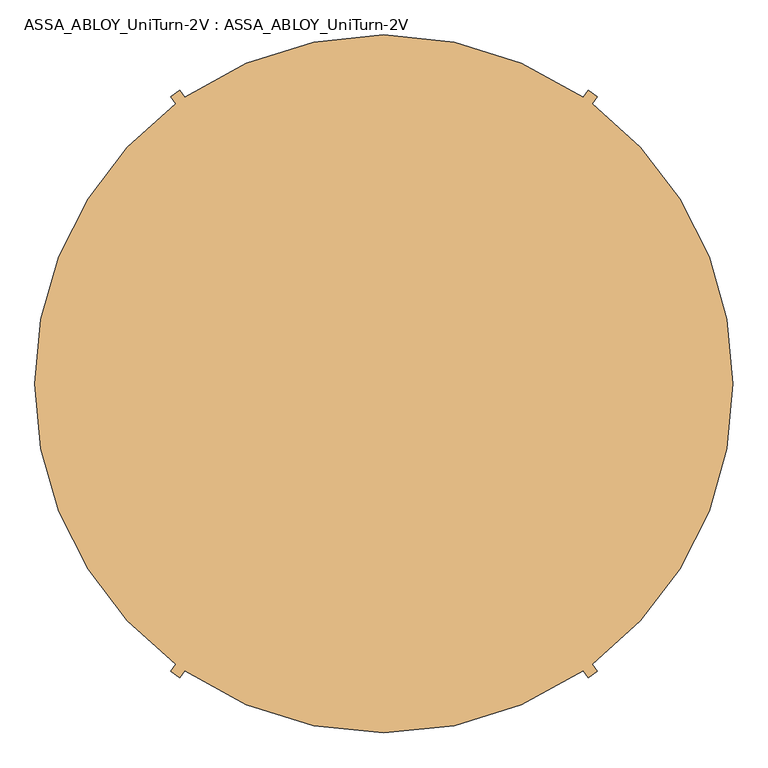
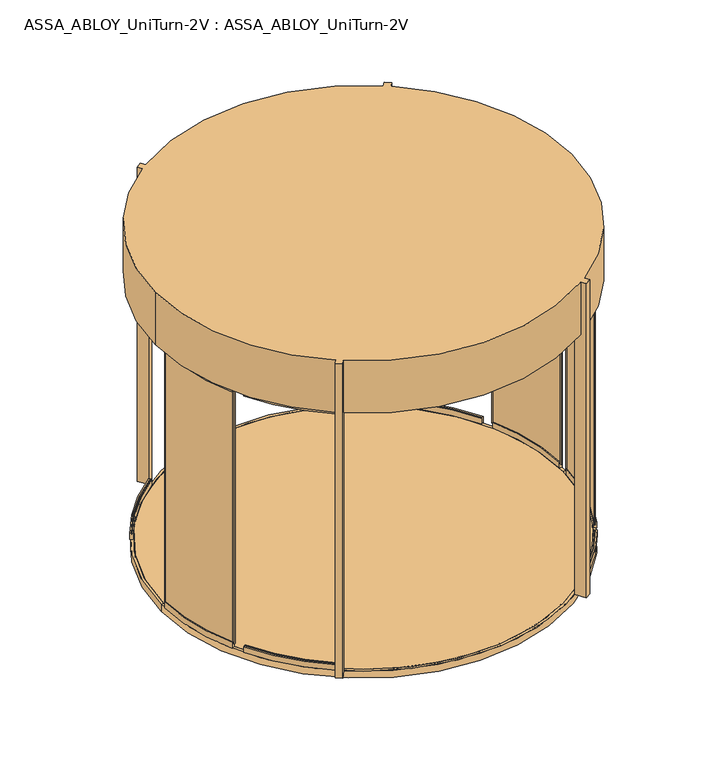
"""IFC4 building model written with IfcOpenShell, lengths in millimetres: door geometry, ASSA_ABLOY_UniTurn-2V : ASSA_ABLOY_UniTurn-2V."""

from ifc_helpers import new_model, si_unit, point, frame, frame_2d, origin, place, context, project, spatial, polyline, circle_curve, trimmed, segment, composite_curve, outline, extrude, source, transform, mapped, element, save
from ifc_brep_helpers import plane_surface, cylinder_surface, revolved_surface, advanced_brep


def assa_abloy_uniturn_2v_assa_abloy_uniturn_2v_550df79c(model_context):
    return source(origin(), model_context, "Body", "SolidModel", [
        extrude(outline(composite_curve([segment(trimmed(circle_curve(frame_2d((125.0, 0.0)), 1800.0), [point((-1675.0, 0.0))], [point((1925.0, 0.0))], False, "CARTESIAN"), True, "CONTINUOUS"), segment(trimmed(circle_curve(frame_2d((125.0, 0.0)), 1800.0), [point((1925.0, 0.0))], [point((-1675.0, 0.0))], False, "CARTESIAN"), True, "CONTINUOUS")], self_intersect=False)), frame((0.0, 0.0, -23.0), z_axis=(0.0, 0.0, 1.0), x_axis=(1.0, 0.0, 0.0)), (0.0, 0.0, 1.0), 23.0),
        advanced_brep(
        [(1951.0, 0.0, -65.0), (-1701.0, 0.0, -65.0), (-1701.0, 0.0, 0.0), (1951.0, 0.0, 0.0), (125.0, 0.0, -65.0), (1925.0, 0.0, -23.0), (-1675.0, 0.0, -23.0), (125.0, 0.0, -23.0), (1925.0, 0.0, 0.0), (-1675.0, 0.0, 0.0)],
        [
            (0, 1, circle_curve(frame((125.0, 0.0, -65.0), z_axis=(0.0, 0.0, 1.0), x_axis=(-1.0, 0.0, 0.0)), 1826.0)),
            (1, 2),
            (2, 3, circle_curve(frame((125.0, 0.0, 0.0), z_axis=(0.0, 0.0, -1.0), x_axis=(-1.0, 0.0, 0.0)), 1826.0)),
            (3, 0),
            (1, 0, circle_curve(frame((125.0, 0.0, -65.0), z_axis=(0.0, 0.0, 1.0), x_axis=(-1.0, 0.0, 0.0)), 1826.0)),
            (3, 2, circle_curve(frame((125.0, 0.0, 0.0), z_axis=(0.0, 0.0, -1.0), x_axis=(-1.0, 0.0, 0.0)), 1826.0)),
            (4, 1),
            (0, 4),
            (5, 6, circle_curve(frame((125.0, 0.0, -23.0), z_axis=(0.0, 0.0, 1.0), x_axis=(-1.0, 0.0, 0.0)), 1800.0)),
            (6, 7),
            (7, 5),
            (6, 5, circle_curve(frame((125.0, 0.0, -23.0), z_axis=(0.0, 0.0, 1.0), x_axis=(-1.0, 0.0, 0.0)), 1800.0)),
            (8, 9, circle_curve(frame((125.0, 0.0, 0.0), z_axis=(0.0, 0.0, 1.0), x_axis=(-1.0, 0.0, 0.0)), 1800.0)),
            (9, 6),
            (5, 8),
            (9, 8, circle_curve(frame((125.0, 0.0, 0.0), z_axis=(0.0, 0.0, 1.0), x_axis=(-1.0, 0.0, 0.0)), 1800.0)),
            (2, 9),
            (8, 3),
        ],
        [
            cylinder_surface(frame((125.0, 0.0, -20.0), z_axis=(0.0, 0.0, -1.0), x_axis=(-1.0, 0.0, 0.0)), 1826.0),
            plane_surface(frame((125.0, 0.0, -65.0), z_axis=(0.0, 0.0, -1.0), x_axis=(-1.0, 0.0, 0.0))),
            plane_surface(frame((125.0, 0.0, -23.0), z_axis=(0.0, 0.0, 1.0), x_axis=(-1.0, 0.0, 0.0))),
            revolved_surface(polyline([(-1675.0, 0.0, -23.0), (-1675.0, 0.0, 0.0)]), (125.0, 0.0, -20.0), (0.0, 0.0, -1.0)),
            plane_surface(frame((125.0, 0.0, 0.0), z_axis=(0.0, 0.0, 1.0), x_axis=(-1.0, 0.0, 0.0))),
        ],
        [
            (0, [[1, 2, 3, 4]]),
            (0, [[5, -4, 6, -2]]),
            (1, [[7, -1, 8]]),
            (1, [[-8, -5, -7]]),
            (2, [[9, 10, 11]]),
            (2, [[12, -11, -10]]),
            (3, [[13, 14, -9, 15]]),
            (3, [[16, -15, -12, -14]]),
            (4, [[-3, 17, -13, 18]]),
            (4, [[-6, -18, -16, -17]]),
        ],
    ),
        advanced_brep(
        [(1273.1232748, 1547.2872862, 3000.0), (1223.9741521, 1581.7018724, 3000.0), (1197.0085808, 1543.1910454, 3000.0), (-947.0085808, 1543.1910454, 3000.0), (-973.9741521, 1581.7018724, 3000.0), (-1023.1232748, 1547.2872862, 3000.0), (-995.7363646, 1508.174725, 3000.0), (-1754.0, 0.0, 3000.0), (-995.7363646, -1508.174725, 3000.0), (-1023.1232748, -1547.2872862, 3000.0), (-973.9741521, -1581.7018724, 3000.0), (-947.0085808, -1543.1910454, 3000.0), (1197.0085808, -1543.1910454, 3000.0), (1223.9741521, -1581.7018724, 3000.0), (1273.1232748, -1547.2872862, 3000.0), (1245.7363646, -1508.174725, 3000.0), (2004.0, 0.0, 3000.0), (1245.7363646, 1508.174725, 3000.0), (1245.7363646, 1508.174725, 2500.0), (2004.0, 0.0, 2500.0), (1245.7363646, -1508.174725, 2500.0), (1215.7656311, -1465.3720817, 2500.0), (1166.6165085, -1499.7866679, 2500.0), (1197.0085808, -1543.1910454, 2500.0), (-947.0085808, -1543.1910454, 2500.0), (-916.6165085, -1499.7866679, 2500.0), (-965.7656311, -1465.3720817, 2500.0), (-995.7363646, -1508.174725, 2500.0), (-1754.0, 0.0, 2500.0), (-995.7363646, 1508.174725, 2500.0), (-965.7656311, 1465.3720817, 2500.0), (-916.6165085, 1499.7866679, 2500.0), (-947.0085808, 1543.1910454, 2500.0), (1197.0085808, 1543.1910454, 2500.0), (1166.6165085, 1499.7866679, 2500.0), (1215.7656311, 1465.3720817, 2500.0), (1166.6165085, 1499.7866679, 0.0), (1223.9741521, 1581.7018724, 0.0), (1273.1232748, 1547.2872862, 0.0), (1215.7656311, 1465.3720817, 0.0), (-916.6165085, 1499.7866679, 0.0), (-965.7656311, 1465.3720817, 0.0), (-1023.1232748, 1547.2872862, 0.0), (-973.9741521, 1581.7018724, 0.0), (-916.6165085, -1499.7866679, 0.0), (-973.9741521, -1581.7018724, 0.0), (-1023.1232748, -1547.2872862, 0.0), (-965.7656311, -1465.3720817, 0.0), (1166.6165085, -1499.7866679, 0.0), (1215.7656311, -1465.3720817, 0.0), (1273.1232748, -1547.2872862, 0.0), (1223.9741521, -1581.7018724, 0.0)],
        [
            (0, 1),
            (1, 2),
            (2, 3, circle_curve(frame((125.0, 0.0, 3000.0), z_axis=(0.0, 0.0, 1.0), x_axis=(1.0, 0.0, 0.0)), 1879.0)),
            (3, 4),
            (4, 5),
            (5, 6),
            (6, 7, circle_curve(frame((125.0, 0.0, 3000.0), z_axis=(0.0, 0.0, 1.0), x_axis=(1.0, 0.0, 0.0)), 1879.0)),
            (7, 8, circle_curve(frame((125.0, 0.0, 3000.0), z_axis=(0.0, 0.0, 1.0), x_axis=(1.0, 0.0, 0.0)), 1879.0)),
            (8, 9),
            (9, 10),
            (10, 11),
            (11, 12, circle_curve(frame((125.0, 0.0, 3000.0), z_axis=(0.0, 0.0, 1.0), x_axis=(1.0, 0.0, 0.0)), 1879.0)),
            (12, 13),
            (13, 14),
            (14, 15),
            (15, 16, circle_curve(frame((125.0, 0.0, 3000.0), z_axis=(0.0, 0.0, 1.0), x_axis=(1.0, 0.0, 0.0)), 1879.0)),
            (16, 17, circle_curve(frame((125.0, 0.0, 3000.0), z_axis=(0.0, 0.0, 1.0), x_axis=(1.0, 0.0, 0.0)), 1879.0)),
            (17, 0),
            (18, 19, circle_curve(frame((125.0, 0.0, 2500.0), z_axis=(0.0, 0.0, -1.0), x_axis=(1.0, 0.0, 0.0)), 1879.0)),
            (19, 20, circle_curve(frame((125.0, 0.0, 2500.0), z_axis=(0.0, 0.0, -1.0), x_axis=(1.0, 0.0, 0.0)), 1879.0)),
            (20, 21),
            (21, 22),
            (22, 23),
            (23, 24, circle_curve(frame((125.0, 0.0, 2500.0), z_axis=(0.0, 0.0, -1.0), x_axis=(1.0, 0.0, 0.0)), 1879.0)),
            (24, 25),
            (25, 26),
            (26, 27),
            (27, 28, circle_curve(frame((125.0, 0.0, 2500.0), z_axis=(0.0, 0.0, -1.0), x_axis=(1.0, 0.0, 0.0)), 1879.0)),
            (28, 29, circle_curve(frame((125.0, 0.0, 2500.0), z_axis=(0.0, 0.0, -1.0), x_axis=(1.0, 0.0, 0.0)), 1879.0)),
            (29, 30),
            (30, 31),
            (31, 32),
            (32, 33, circle_curve(frame((125.0, 0.0, 2500.0), z_axis=(0.0, 0.0, -1.0), x_axis=(1.0, 0.0, 0.0)), 1879.0)),
            (33, 34),
            (34, 35),
            (35, 18),
            (16, 19),
            (18, 17),
            (2, 33),
            (32, 3),
            (28, 7),
            (6, 29),
            (15, 20),
            (27, 8),
            (11, 24),
            (23, 12),
            (36, 37),
            (37, 38),
            (38, 39),
            (39, 36),
            (39, 35),
            (34, 36),
            (38, 0),
            (37, 1),
            (40, 41),
            (41, 42),
            (42, 43),
            (43, 40),
            (43, 4),
            (31, 40),
            (42, 5),
            (41, 30),
            (44, 45),
            (45, 46),
            (46, 47),
            (47, 44),
            (47, 26),
            (25, 44),
            (46, 9),
            (45, 10),
            (48, 49),
            (49, 50),
            (50, 51),
            (51, 48),
            (51, 13),
            (22, 48),
            (50, 14),
            (49, 21),
        ],
        [
            plane_surface(frame((2004.0, 0.0, 3000.0), z_axis=(0.0, 0.0, 1.0), x_axis=(0.0, 1.0, 0.0))),
            plane_surface(frame((2004.0, 0.0, 2500.0), z_axis=(0.0, 0.0, -1.0), x_axis=(0.0, -1.0, 0.0))),
            cylinder_surface(frame((125.0, 0.0, 2500.0), z_axis=(0.0, 0.0, 1.0), x_axis=(1.0, 0.0, 0.0)), 1879.0),
            plane_surface(frame((1215.7656311, 1465.3720817, 0.0), z_axis=(0.0, 0.0, -1.0), x_axis=(-0.8191520442889949, 0.5735764363510417, 0.0))),
            plane_surface(frame((1166.6165085, 1499.7866679, 3000.0), z_axis=(-0.5735764363510417, -0.8191520442889949, 0.0), x_axis=(0.0, 0.0, -1.0))),
            plane_surface(frame((1215.7656311, 1465.3720817, 3000.0), z_axis=(0.8191520442889947, -0.573576436351042, 0.0), x_axis=(0.0, 0.0, -1.0))),
            plane_surface(frame((1273.1232748, 1547.2872862, 3000.0), z_axis=(0.5735764363510417, 0.8191520442889949, 0.0), x_axis=(0.0, 0.0, -1.0))),
            plane_surface(frame((1223.9741521, 1581.7018724, 3000.0), z_axis=(-0.8191520442889947, 0.573576436351042, 0.0), x_axis=(0.0, 0.0, -1.0))),
            plane_surface(frame((-916.6165085, 1499.7866679, 0.0), z_axis=(0.0, 0.0, -1.0000000000000002), x_axis=(0.5735764363510508, -0.8191520442889886, 0.0))),
            plane_surface(frame((-916.6165085, 1499.7866679, 3000.0), z_axis=(0.8191520442889886, 0.5735764363510508, 0.0), x_axis=(0.0, 0.0, -1.0))),
            plane_surface(frame((-973.9741521, 1581.7018724, 3000.0), z_axis=(-0.5735764363510516, 0.819152044288988, 0.0), x_axis=(0.0, 0.0, -1.0))),
            plane_surface(frame((-1023.1232748, 1547.2872862, 3000.0), z_axis=(-0.8191520442889886, -0.5735764363510508, 0.0), x_axis=(0.0, 0.0, -1.0))),
            plane_surface(frame((-965.7656311, 1465.3720817, 3000.0), z_axis=(0.5735764363510516, -0.819152044288988, 0.0), x_axis=(0.0, 0.0, -1.0))),
            plane_surface(frame((-965.7656311, -1465.3720817, 0.0), z_axis=(0.0, 0.0, -1.0), x_axis=(0.8191520442889972, -0.5735764363510384, 0.0))),
            plane_surface(frame((-916.6165085, -1499.7866679, 3000.0), z_axis=(0.5735764363510384, 0.8191520442889972, 0.0), x_axis=(0.0, 0.0, -1.0))),
            plane_surface(frame((-965.7656311, -1465.3720817, 3000.0), z_axis=(-0.8191520442889951, 0.5735764363510415, 0.0), x_axis=(0.0, 0.0, -1.0))),
            plane_surface(frame((-1023.1232748, -1547.2872862, 3000.0), z_axis=(-0.5735764363510425, -0.8191520442889944, 0.0), x_axis=(0.0, 0.0, -1.0))),
            plane_surface(frame((-973.9741521, -1581.7018724, 3000.0), z_axis=(0.8191520442889954, -0.5735764363510412, 0.0), x_axis=(0.0, 0.0, -1.0))),
            plane_surface(frame((1166.6165085, -1499.7866679, 0.0), z_axis=(0.0, 0.0, -1.0000000000000002), x_axis=(-0.5735764363510499, 0.8191520442889892, 0.0))),
            plane_surface(frame((1166.6165085, -1499.7866679, 3000.0), z_axis=(-0.8191520442889892, -0.5735764363510499, 0.0), x_axis=(0.0, 0.0, -1.0))),
            plane_surface(frame((1223.9741521, -1581.7018724, 3000.0), z_axis=(0.5735764363510529, -0.819152044288987, 0.0), x_axis=(0.0, 0.0, -1.0))),
            plane_surface(frame((1273.1232748, -1547.2872862, 3000.0), z_axis=(0.8191520442889884, 0.5735764363510512, 0.0), x_axis=(0.0, 0.0, -1.0))),
            plane_surface(frame((1215.7656311, -1465.3720817, 3000.0), z_axis=(-0.5735764363510499, 0.8191520442889892, 0.0), x_axis=(0.0, 0.0, -1.0))),
        ],
        [
            (0, [[1, 2, 3, 4, 5, 6, 7, 8, 9, 10, 11, 12, 13, 14, 15, 16, 17, 18]]),
            (1, [[19, 20, 21, 22, 23, 24, 25, 26, 27, 28, 29, 30, 31, 32, 33, 34, 35, 36]]),
            (2, [[37, -19, 38, -17]]),
            (2, [[39, -33, 40, -3]]),
            (2, [[41, -7, 42, -29]]),
            (2, [[-37, -16, 43, -20]]),
            (2, [[-41, -28, 44, -8]]),
            (2, [[45, -24, 46, -12]]),
            (3, [[47, 48, 49, 50]]),
            (4, [[-50, 51, -35, 52]]),
            (5, [[-49, 53, -18, -38, -36, -51]]),
            (6, [[-1, -53, -48, 54]]),
            (7, [[-47, -52, -34, -39, -2, -54]]),
            (8, [[55, 56, 57, 58]]),
            (9, [[-58, 59, -4, -40, -32, 60]]),
            (10, [[-5, -59, -57, 61]]),
            (11, [[-56, 62, -30, -42, -6, -61]]),
            (12, [[-55, -60, -31, -62]]),
            (13, [[63, 64, 65, 66]]),
            (14, [[-66, 67, -26, 68]]),
            (15, [[-65, 69, -9, -44, -27, -67]]),
            (16, [[-10, -69, -64, 70]]),
            (17, [[-63, -68, -25, -45, -11, -70]]),
            (18, [[71, 72, 73, 74]]),
            (19, [[-74, 75, -13, -46, -23, 76]]),
            (20, [[-14, -75, -73, 77]]),
            (21, [[-72, 78, -21, -43, -15, -77]]),
            (22, [[-71, -76, -22, -78]]),
        ],
    ),
        extrude(outline(composite_curve([segment(polyline([(1743.3166547, 800.7291958), (1752.1867631, 805.3466819), (1759.5747409, 791.1545086)]), True, "CONTINUOUS"), segment(trimmed(circle_curve(frame_2d((341.593123, 53.0)), 1598.606877), [point((1759.5747409, 791.1545086))], [point((1940.2, 53.0))], False, "CARTESIAN"), True, "CONTINUOUS"), segment(polyline([(1940.2, 53.0), (1940.2, 37.0), (1930.2, 37.0), (1930.2, 53.0)]), True, "CONTINUOUS"), segment(trimmed(circle_curve(frame_2d((341.593123, 53.0)), 1588.606877), [point((1930.2, 53.0))], [point((1750.7046326, 786.5370225))], True, "CARTESIAN"), True, "CONTINUOUS"), segment(polyline([(1750.7046326, 786.5370225), (1743.3166547, 800.7291958)]), True, "CONTINUOUS")], self_intersect=False)), frame((0.0, 0.0, 40.0), z_axis=(0.0, 0.0, 1.0), x_axis=(1.0, 0.0, 0.0)), (0.0, 0.0, 1.0), 2422.0),
        extrude(outline(composite_curve([segment(trimmed(circle_curve(frame_2d((125.0, 0.0)), 1805.9778625), [point((1750.7046326, -786.5370225))], [point((1930.2, -53.0))], True, "CARTESIAN"), True, "CONTINUOUS"), segment(polyline([(1930.2, -53.0), (1930.2, -37.0), (1940.2, -37.0), (1940.2, -52.7766521)]), True, "CONTINUOUS"), segment(trimmed(circle_curve(frame_2d((125.0, 0.0)), 1815.9670743), [point((1940.2, -52.7766521))], [point((1759.4716103, -791.3526206))], False, "CARTESIAN"), True, "CONTINUOUS"), segment(polyline([(1759.4716103, -791.3526206), (1752.1867631, -805.3466819), (1743.3166547, -800.7291958), (1750.7046326, -786.5370225)]), True, "CONTINUOUS")], self_intersect=False)), frame((0.0, 0.0, 40.0), z_axis=(0.0, 0.0, 1.0), x_axis=(1.0, 0.0, 0.0)), (0.0, 0.0, 1.0), 2422.0),
        extrude(outline(composite_curve([segment(polyline([(-1690.2, -38.0), (-1680.2, -38.0), (-1680.2, -52.5581333)]), True, "CONTINUOUS"), segment(trimmed(circle_curve(frame_2d((125.0, 0.0)), 1805.9649491), [point((-1680.2, -52.5581333))], [point((-1500.5006012, -786.928963))], True, "CARTESIAN"), True, "CONTINUOUS"), segment(polyline([(-1500.5006012, -786.928963), (-1493.7784034, -799.842185), (-1502.6485117, -804.4596711), (-1509.4716103, -791.3526206)]), True, "CONTINUOUS"), segment(trimmed(circle_curve(frame_2d((125.0, 0.0)), 1815.9670743), [point((-1509.4716103, -791.3526206))], [point((-1690.2, -52.7766521))], False, "CARTESIAN"), True, "CONTINUOUS"), segment(polyline([(-1690.2, -52.7766521), (-1690.2, -38.0)]), True, "CONTINUOUS")], self_intersect=False)), frame((0.0, 0.0, 40.0), z_axis=(0.0, 0.0, 1.0), x_axis=(1.0, 0.0, 0.0)), (0.0, 0.0, 1.0), 2422.0),
        advanced_brep(
        [(1215.3243618, -1464.7418838, 56.0), (1208.7561427, -1455.9181375, 56.0), (1208.7561427, -1455.9181375, 41.0), (1202.7850345, -1447.89655, 41.0), (1202.7850345, -1447.89655, 56.0), (1199.7994804, -1443.8857562, 56.0), (1199.7994804, -1443.8857562, 0.0), (1215.3243618, -1464.7418838, 0.0), (1719.5267012, -889.809305, 56.0), (1719.5267012, -889.809305, 0.0), (1696.822597, -877.1395121, 0.0), (1696.822597, -877.1395121, 56.0), (1701.1887709, -879.5760107, 56.0), (1701.1887709, -879.5760107, 41.0), (1709.9211186, -884.449008, 41.0), (1709.9211186, -884.449008, 56.0)],
        [
            (0, 1),
            (1, 2),
            (2, 3),
            (3, 4),
            (4, 5),
            (5, 6),
            (6, 7),
            (7, 0),
            (8, 9),
            (9, 10),
            (10, 11),
            (11, 12),
            (12, 13),
            (13, 14),
            (14, 15),
            (15, 8),
            (15, 1, circle_curve(frame((125.0, 0.0, 56.0), z_axis=(0.0, 0.0, -1.0), x_axis=(0.5971108224356279, -0.8021587534461293, 0.0)), 1815.0)),
            (0, 8, circle_curve(frame((125.0, 0.0, 56.0), z_axis=(0.0, 0.0, 1.0), x_axis=(0.5971108224356279, -0.8021587534461293, 0.0)), 1826.0)),
            (14, 2, circle_curve(frame((125.0, 0.0, 41.0), z_axis=(0.0, 0.0, -1.0), x_axis=(0.5971108224356279, -0.8021587534461293, 0.0)), 1815.0)),
            (13, 3, circle_curve(frame((125.0, 0.0, 41.0), z_axis=(0.0, 0.0, -1.0), x_axis=(0.5971108224356279, -0.8021587534461293, 0.0)), 1805.0)),
            (12, 4, circle_curve(frame((125.0, 0.0, 56.0), z_axis=(0.0, 0.0, -1.0), x_axis=(0.5971108224356279, -0.8021587534461293, 0.0)), 1805.0)),
            (11, 5, circle_curve(frame((125.0, 0.0, 56.0), z_axis=(0.0, 0.0, -1.0), x_axis=(0.5971108224356279, -0.8021587534461293, 0.0)), 1800.0)),
            (10, 6, circle_curve(frame((125.0, 0.0, 0.0), z_axis=(0.0, 0.0, -1.0), x_axis=(0.5971108224356279, -0.8021587534461293, 0.0)), 1800.0)),
            (9, 7, circle_curve(frame((125.0, 0.0, 0.0), z_axis=(0.0, 0.0, -1.0), x_axis=(0.5971108224356279, -0.8021587534461293, 0.0)), 1826.0)),
        ],
        [
            plane_surface(frame((1215.3243618, -1464.7418838, 0.0), z_axis=(-0.8021587534461294, -0.5971108224356279, 0.0), x_axis=(0.0, 0.0, 1.0))),
            plane_surface(frame((1719.5267012, -889.809305, 0.0), z_axis=(0.4872997289311294, 0.873234776096124, 0.0), x_axis=(0.0, 0.0, 1.0))),
            plane_surface(frame((125.0, 0.0, 56.0), z_axis=(0.0, 0.0, 1.0000000000000002), x_axis=(0.597110822435628, -0.8021587534461294, 0.0))),
            revolved_surface(polyline([(1208.7561427206645, -1455.9181375047247, 56.0), (1208.7561427206645, -1455.9181375047247, 41.0)]), (125.0, 0.0, 0.0), (0.0, 0.0, 1.0)),
            plane_surface(frame((125.0, 0.0, 41.0), z_axis=(0.0, 0.0, 1.0000000000000002), x_axis=(0.597110822435628, -0.8021587534461294, 0.0))),
            cylinder_surface(frame((125.0, 0.0, 0.0), z_axis=(0.0, 0.0, 1.0), x_axis=(0.5971108224356279, -0.8021587534461293, 0.0)), 1805.0),
            revolved_surface(polyline([(1199.7994803841302, -1443.8857562030328, 56.0), (1199.7994803841302, -1443.8857562030328, 0.0)]), (125.0, 0.0, 0.0), (0.0, 0.0, 1.0)),
            plane_surface(frame((125.0, 0.0, 0.0), z_axis=(0.0, 0.0, -1.0000000000000002), x_axis=(0.597110822435628, -0.8021587534461294, 0.0))),
            cylinder_surface(frame((125.0, 0.0, 0.0), z_axis=(0.0, 0.0, 1.0), x_axis=(0.5971108224356279, -0.8021587534461293, 0.0)), 1826.0),
        ],
        [
            (0, [[1, 2, 3, 4, 5, 6, 7, 8]]),
            (1, [[9, 10, 11, 12, 13, 14, 15, 16]]),
            (2, [[17, -1, 18, -16]]),
            (3, [[19, -2, -17, -15]]),
            (4, [[20, -3, -19, -14]]),
            (5, [[21, -4, -20, -13]]),
            (2, [[22, -5, -21, -12]]),
            (6, [[23, -6, -22, -11]]),
            (7, [[24, -7, -23, -10]]),
            (8, [[-18, -8, -24, -9]]),
        ],
    ),
        advanced_brep(
        [(1950.2306704, -53.0, 56.0), (1950.2306704, -53.0, 0.0), (1924.2416247, -52.245345, 0.0), (1924.2416247, -52.245345, 56.0), (1929.2395181, -52.390471, 56.0), (1929.2395181, -52.390471, 41.0), (1939.2353049, -52.6807229, 41.0), (1939.2353049, -52.6807229, 56.0), (1768.4720542, -795.7861567, 56.0), (1758.5716201, -790.9922642, 56.0), (1758.5716201, -790.9922642, 41.0), (1749.5712255, -786.6341801, 41.0), (1749.5712255, -786.6341801, 56.0), (1745.0710282, -784.4551381, 56.0), (1745.0710282, -784.4551381, 0.0), (1768.4720542, -795.7861567, 0.0)],
        [
            (0, 1),
            (1, 2),
            (2, 3),
            (3, 4),
            (4, 5),
            (5, 6),
            (6, 7),
            (7, 0),
            (8, 9),
            (9, 10),
            (10, 11),
            (11, 12),
            (12, 13),
            (13, 14),
            (14, 15),
            (15, 8),
            (15, 1, circle_curve(frame((125.0, 0.0, 0.0), z_axis=(0.0, 0.0, 1.0), x_axis=(0.9995786803689767, -0.029025191675770036, 0.0)), 1826.0)),
            (0, 8, circle_curve(frame((125.0, 0.0, 56.0), z_axis=(0.0, 0.0, -1.0), x_axis=(0.9995786803689767, -0.029025191675770036, 0.0)), 1826.0)),
            (14, 2, circle_curve(frame((125.0, 0.0, 0.0), z_axis=(0.0, 0.0, 1.0), x_axis=(0.9995786803689767, -0.029025191675770036, 0.0)), 1800.0)),
            (13, 3, circle_curve(frame((125.0, 0.0, 56.0), z_axis=(0.0, 0.0, 1.0), x_axis=(0.9995786803689767, -0.029025191675770036, 0.0)), 1800.0)),
            (12, 4, circle_curve(frame((125.0, 0.0, 56.0), z_axis=(0.0, 0.0, 1.0), x_axis=(0.9995786803689767, -0.029025191675770036, 0.0)), 1805.0)),
            (11, 5, circle_curve(frame((125.0, 0.0, 41.0), z_axis=(0.0, 0.0, 1.0), x_axis=(0.9995786803689767, -0.029025191675770036, 0.0)), 1805.0)),
            (10, 6, circle_curve(frame((125.0, 0.0, 41.0), z_axis=(0.0, 0.0, 1.0), x_axis=(0.9995786803689767, -0.029025191675770036, 0.0)), 1815.0)),
            (9, 7, circle_curve(frame((125.0, 0.0, 56.0), z_axis=(0.0, 0.0, 1.0), x_axis=(0.9995786803689767, -0.029025191675770036, 0.0)), 1815.0)),
        ],
        [
            plane_surface(frame((1950.2306704, -53.0, 0.0), z_axis=(0.029025191675770032, 0.9995786803689767, 0.0), x_axis=(0.0, 0.0, 1.0))),
            plane_surface(frame((1768.4720542, -795.7861567, 0.0), z_axis=(-0.4358084100281285, -0.9000394601064748, 0.0), x_axis=(0.0, 0.0, 1.0))),
            cylinder_surface(frame((125.0, 0.0, 0.0), z_axis=(0.0, 0.0, -1.0), x_axis=(0.9995786803689767, -0.029025191675770036, 0.0)), 1826.0),
            plane_surface(frame((125.0, 0.0, 0.0), z_axis=(0.0, 0.0, -1.0), x_axis=(0.9995786803689767, -0.029025191675770036, 0.0))),
            revolved_surface(polyline([(1924.241624664158, -52.24534501638607, 0.0), (1924.241624664158, -52.24534501638607, 56.0)]), (125.0, 0.0, 0.0), (0.0, 0.0, -1.0)),
            plane_surface(frame((125.0, 0.0, 56.0), z_axis=(0.0, 0.0, 1.0), x_axis=(0.9995786803689767, -0.029025191675770036, 0.0))),
            cylinder_surface(frame((125.0, 0.0, 0.0), z_axis=(0.0, 0.0, -1.0), x_axis=(0.9995786803689767, -0.029025191675770036, 0.0)), 1805.0),
            plane_surface(frame((125.0, 0.0, 41.0), z_axis=(0.0, 0.0, 1.0), x_axis=(0.9995786803689767, -0.029025191675770036, 0.0))),
            revolved_surface(polyline([(1939.2353048696928, -52.68072289152261, 41.0), (1939.2353048696928, -52.68072289152261, 56.0)]), (125.0, 0.0, 0.0), (0.0, 0.0, -1.0)),
        ],
        [
            (0, [[1, 2, 3, 4, 5, 6, 7, 8]]),
            (1, [[9, 10, 11, 12, 13, 14, 15, 16]]),
            (2, [[17, -1, 18, -16]]),
            (3, [[19, -2, -17, -15]]),
            (4, [[20, -3, -19, -14]]),
            (5, [[21, -4, -20, -13]]),
            (6, [[22, -5, -21, -12]]),
            (7, [[23, -6, -22, -11]]),
            (8, [[24, -7, -23, -10]]),
            (5, [[-18, -8, -24, -9]]),
        ],
    ),
        advanced_brep(
        [(1745.0710282, 784.4551381, 0.0), (1745.0710282, 784.4551381, 56.0), (1749.5712255, 786.6341801, 56.0), (1749.5712255, 786.6341801, 41.0), (1758.5716201, 790.9922642, 41.0), (1758.5716201, 790.9922642, 56.0), (1768.4720542, 795.7861567, 56.0), (1768.4720542, 795.7861567, 0.0), (1924.2416247, 52.245345, 0.0), (1950.2306704, 53.0, 0.0), (1950.2306704, 53.0, 56.0), (1939.2353049, 52.6807229, 56.0), (1939.2353049, 52.6807229, 41.0), (1929.2395181, 52.390471, 41.0), (1929.2395181, 52.390471, 56.0), (1924.2416247, 52.245345, 56.0)],
        [
            (0, 1),
            (1, 2),
            (2, 3),
            (3, 4),
            (4, 5),
            (5, 6),
            (6, 7),
            (7, 0),
            (8, 9),
            (9, 10),
            (10, 11),
            (11, 12),
            (12, 13),
            (13, 14),
            (14, 15),
            (15, 8),
            (15, 1, circle_curve(frame((125.0, 0.0, 56.0), z_axis=(0.0, 0.0, 1.0), x_axis=(0.9000394601064423, 0.4358084100281955, 0.0)), 1800.0)),
            (0, 8, circle_curve(frame((125.0, 0.0, 0.0), z_axis=(0.0, 0.0, -1.0), x_axis=(0.9000394601064423, 0.4358084100281955, 0.0)), 1800.0)),
            (14, 2, circle_curve(frame((125.0, 0.0, 56.0), z_axis=(0.0, 0.0, 1.0), x_axis=(0.9000394601064423, 0.4358084100281955, 0.0)), 1805.0)),
            (13, 3, circle_curve(frame((125.0, 0.0, 41.0), z_axis=(0.0, 0.0, 1.0), x_axis=(0.9000394601064423, 0.4358084100281955, 0.0)), 1805.0)),
            (12, 4, circle_curve(frame((125.0, 0.0, 41.0), z_axis=(0.0, 0.0, 1.0), x_axis=(0.9000394601064423, 0.4358084100281955, 0.0)), 1815.0)),
            (11, 5, circle_curve(frame((125.0, 0.0, 56.0), z_axis=(0.0, 0.0, 1.0), x_axis=(0.9000394601064423, 0.4358084100281955, 0.0)), 1815.0)),
            (10, 6, circle_curve(frame((125.0, 0.0, 56.0), z_axis=(0.0, 0.0, 1.0), x_axis=(0.9000394601064423, 0.4358084100281955, 0.0)), 1826.0)),
            (9, 7, circle_curve(frame((125.0, 0.0, 0.0), z_axis=(0.0, 0.0, 1.0), x_axis=(0.9000394601064423, 0.4358084100281955, 0.0)), 1826.0)),
        ],
        [
            plane_surface(frame((1768.4720542, 795.7861567, 0.0), z_axis=(-0.43580841002819554, 0.9000394601064424, 0.0), x_axis=(0.0, 0.0, 1.0))),
            plane_surface(frame((1950.2306704, 53.0, 0.0), z_axis=(0.029025191675825072, -0.9995786803689751, 0.0), x_axis=(0.0, 0.0, 1.0))),
            revolved_surface(polyline([(1745.0710281915963, 784.4551380507519, 0.0), (1745.0710281915963, 784.4551380507519, 56.0)]), (125.0, 0.0, 0.0), (0.0, 0.0, -1.0)),
            plane_surface(frame((125.0, 0.0, 56.0), z_axis=(0.0, 0.0, 1.0000000000000002), x_axis=(0.9000394601064424, 0.43580841002819554, 0.0))),
            cylinder_surface(frame((125.0, 0.0, 0.0), z_axis=(0.0, 0.0, -1.0), x_axis=(0.9000394601064423, 0.4358084100281955, 0.0)), 1805.0),
            plane_surface(frame((125.0, 0.0, 41.0), z_axis=(0.0, 0.0, 1.0000000000000002), x_axis=(0.9000394601064424, 0.43580841002819554, 0.0))),
            revolved_surface(polyline([(1758.571620093193, 790.9922642011747, 41.0), (1758.571620093193, 790.9922642011747, 56.0)]), (125.0, 0.0, 0.0), (0.0, 0.0, -1.0)),
            cylinder_surface(frame((125.0, 0.0, 0.0), z_axis=(0.0, 0.0, -1.0), x_axis=(0.9000394601064423, 0.4358084100281955, 0.0)), 1826.0),
            plane_surface(frame((125.0, 0.0, 0.0), z_axis=(0.0, 0.0, -1.0000000000000002), x_axis=(0.9000394601064424, 0.43580841002819554, 0.0))),
        ],
        [
            (0, [[1, 2, 3, 4, 5, 6, 7, 8]]),
            (1, [[9, 10, 11, 12, 13, 14, 15, 16]]),
            (2, [[17, -1, 18, -16]]),
            (3, [[19, -2, -17, -15]]),
            (4, [[20, -3, -19, -14]]),
            (5, [[21, -4, -20, -13]]),
            (6, [[22, -5, -21, -12]]),
            (3, [[23, -6, -22, -11]]),
            (7, [[24, -7, -23, -10]]),
            (8, [[-18, -8, -24, -9]]),
        ],
    ),
        advanced_brep(
        [(1199.7994804, 1443.8857562, 0.0), (1199.7994804, 1443.8857562, 56.0), (1202.7850345, 1447.89655, 56.0), (1202.7850345, 1447.89655, 41.0), (1208.7561427, 1455.9181375, 41.0), (1208.7561427, 1455.9181375, 56.0), (1215.3243618, 1464.7418838, 56.0), (1215.3243618, 1464.7418838, 0.0), (1696.822597, 877.1395121, 0.0), (1719.5267012, 889.809305, 0.0), (1719.5267012, 889.809305, 56.0), (1709.9211186, 884.449008, 56.0), (1709.9211186, 884.449008, 41.0), (1701.1887709, 879.5760107, 41.0), (1701.1887709, 879.5760107, 56.0), (1696.822597, 877.1395121, 56.0)],
        [
            (0, 1),
            (1, 2),
            (2, 3),
            (3, 4),
            (4, 5),
            (5, 6),
            (6, 7),
            (7, 0),
            (8, 9),
            (9, 10),
            (10, 11),
            (11, 12),
            (12, 13),
            (13, 14),
            (14, 15),
            (15, 8),
            (15, 1, circle_curve(frame((125.0, 0.0, 56.0), z_axis=(0.0, 0.0, 1.0), x_axis=(0.5971108224356099, 0.8021587534461427, 0.0)), 1800.0)),
            (0, 8, circle_curve(frame((125.0, 0.0, 0.0), z_axis=(0.0, 0.0, -1.0), x_axis=(0.5971108224356099, 0.8021587534461427, 0.0)), 1800.0)),
            (14, 2, circle_curve(frame((125.0, 0.0, 56.0), z_axis=(0.0, 0.0, 1.0), x_axis=(0.5971108224356099, 0.8021587534461427, 0.0)), 1805.0)),
            (13, 3, circle_curve(frame((125.0, 0.0, 41.0), z_axis=(0.0, 0.0, 1.0), x_axis=(0.5971108224356099, 0.8021587534461427, 0.0)), 1805.0)),
            (12, 4, circle_curve(frame((125.0, 0.0, 41.0), z_axis=(0.0, 0.0, 1.0), x_axis=(0.5971108224356099, 0.8021587534461427, 0.0)), 1815.0)),
            (11, 5, circle_curve(frame((125.0, 0.0, 56.0), z_axis=(0.0, 0.0, 1.0), x_axis=(0.5971108224356099, 0.8021587534461427, 0.0)), 1815.0)),
            (10, 6, circle_curve(frame((125.0, 0.0, 56.0), z_axis=(0.0, 0.0, 1.0), x_axis=(0.5971108224356099, 0.8021587534461427, 0.0)), 1826.0)),
            (9, 7, circle_curve(frame((125.0, 0.0, 0.0), z_axis=(0.0, 0.0, 1.0), x_axis=(0.5971108224356099, 0.8021587534461427, 0.0)), 1826.0)),
        ],
        [
            plane_surface(frame((1215.3243618, 1464.7418838, 0.0), z_axis=(-0.8021587534461427, 0.5971108224356099, 0.0), x_axis=(0.0, 0.0, 1.0))),
            plane_surface(frame((1719.5267012, 889.809305, 0.0), z_axis=(0.4872997289312024, -0.8732347760960834, 0.0), x_axis=(0.0, 0.0, 1.0))),
            revolved_surface(polyline([(1199.7994803840977, 1443.8857562030569, 0.0), (1199.7994803840977, 1443.8857562030569, 56.0)]), (125.0, 0.0, 0.0), (0.0, 0.0, -1.0)),
            plane_surface(frame((125.0, 0.0, 56.0), z_axis=(0.0, 0.0, 1.0), x_axis=(0.5971108224356099, 0.8021587534461427, 0.0))),
            cylinder_surface(frame((125.0, 0.0, 0.0), z_axis=(0.0, 0.0, -1.0), x_axis=(0.5971108224356099, 0.8021587534461427, 0.0)), 1805.0),
            plane_surface(frame((125.0, 0.0, 41.0), z_axis=(0.0, 0.0, 1.0), x_axis=(0.5971108224356099, 0.8021587534461427, 0.0))),
            revolved_surface(polyline([(1208.756142720632, 1455.918137504749, 41.0), (1208.756142720632, 1455.918137504749, 56.0)]), (125.0, 0.0, 0.0), (0.0, 0.0, -1.0)),
            cylinder_surface(frame((125.0, 0.0, 0.0), z_axis=(0.0, 0.0, -1.0), x_axis=(0.5971108224356099, 0.8021587534461427, 0.0)), 1826.0),
            plane_surface(frame((125.0, 0.0, 0.0), z_axis=(0.0, 0.0, -1.0), x_axis=(0.5971108224356099, 0.8021587534461427, 0.0))),
        ],
        [
            (0, [[1, 2, 3, 4, 5, 6, 7, 8]]),
            (1, [[9, 10, 11, 12, 13, 14, 15, 16]]),
            (2, [[17, -1, 18, -16]]),
            (3, [[19, -2, -17, -15]]),
            (4, [[20, -3, -19, -14]]),
            (5, [[21, -4, -20, -13]]),
            (6, [[22, -5, -21, -12]]),
            (3, [[23, -6, -22, -11]]),
            (7, [[24, -7, -23, -10]]),
            (8, [[-18, -8, -24, -9]]),
        ],
    ),
        advanced_brep(
        [(-949.7994804, -1443.8857562, 0.0), (-949.7994804, -1443.8857562, 56.0), (-952.7850345, -1447.89655, 56.0), (-952.7850345, -1447.89655, 41.0), (-958.7561427, -1455.9181375, 41.0), (-958.7561427, -1455.9181375, 56.0), (-965.3243618, -1464.7418838, 56.0), (-965.3243618, -1464.7418838, 0.0), (-1446.822597, -877.1395121, 0.0), (-1469.5267012, -889.809305, 0.0), (-1469.5267012, -889.809305, 56.0), (-1459.9211186, -884.449008, 56.0), (-1459.9211186, -884.449008, 41.0), (-1451.1887709, -879.5760107, 41.0), (-1451.1887709, -879.5760107, 56.0), (-1446.822597, -877.1395121, 56.0)],
        [
            (0, 1),
            (1, 2),
            (2, 3),
            (3, 4),
            (4, 5),
            (5, 6),
            (6, 7),
            (7, 0),
            (8, 9),
            (9, 10),
            (10, 11),
            (11, 12),
            (12, 13),
            (13, 14),
            (14, 15),
            (15, 8),
            (15, 1, circle_curve(frame((125.0, 0.0, 56.0), z_axis=(0.0, 0.0, 1.0), x_axis=(-0.5971108224356438, -0.8021587534461174, 0.0)), 1800.0)),
            (0, 8, circle_curve(frame((125.0, 0.0, 0.0), z_axis=(0.0, 0.0, -1.0), x_axis=(-0.5971108224356438, -0.8021587534461174, 0.0)), 1800.0)),
            (14, 2, circle_curve(frame((125.0, 0.0, 56.0), z_axis=(0.0, 0.0, 1.0), x_axis=(-0.5971108224356438, -0.8021587534461174, 0.0)), 1805.0)),
            (13, 3, circle_curve(frame((125.0, 0.0, 41.0), z_axis=(0.0, 0.0, 1.0), x_axis=(-0.5971108224356438, -0.8021587534461174, 0.0)), 1805.0)),
            (12, 4, circle_curve(frame((125.0, 0.0, 41.0), z_axis=(0.0, 0.0, 1.0), x_axis=(-0.5971108224356438, -0.8021587534461174, 0.0)), 1815.0)),
            (11, 5, circle_curve(frame((125.0, 0.0, 56.0), z_axis=(0.0, 0.0, 1.0), x_axis=(-0.5971108224356438, -0.8021587534461174, 0.0)), 1815.0)),
            (10, 6, circle_curve(frame((125.0, 0.0, 56.0), z_axis=(0.0, 0.0, 1.0), x_axis=(-0.5971108224356438, -0.8021587534461174, 0.0)), 1826.0)),
            (9, 7, circle_curve(frame((125.0, 0.0, 0.0), z_axis=(0.0, 0.0, 1.0), x_axis=(-0.5971108224356438, -0.8021587534461174, 0.0)), 1826.0)),
        ],
        [
            plane_surface(frame((-965.3243618, -1464.7418838, 0.0), z_axis=(0.8021587534461174, -0.5971108224356438, 0.0), x_axis=(0.0, 0.0, 1.0))),
            plane_surface(frame((-1469.5267012, -889.809305, 0.0), z_axis=(-0.48729972893110296, 0.8732347760961388, 0.0), x_axis=(0.0, 0.0, 1.0))),
            revolved_surface(polyline([(-949.7994803841589, -1443.8857562030114, 0.0), (-949.7994803841589, -1443.8857562030114, 56.0)]), (125.0, 0.0, 0.0), (0.0, 0.0, -1.0)),
            plane_surface(frame((125.0, 0.0, 56.0), z_axis=(0.0, 0.0, 1.0), x_axis=(-0.5971108224356438, -0.8021587534461174, 0.0))),
            cylinder_surface(frame((125.0, 0.0, 0.0), z_axis=(0.0, 0.0, -1.0), x_axis=(-0.5971108224356438, -0.8021587534461174, 0.0)), 1805.0),
            plane_surface(frame((125.0, 0.0, 41.0), z_axis=(0.0, 0.0, 1.0), x_axis=(-0.5971108224356438, -0.8021587534461174, 0.0))),
            revolved_surface(polyline([(-958.7561427206936, -1455.918137504703, 41.0), (-958.7561427206936, -1455.918137504703, 56.0)]), (125.0, 0.0, 0.0), (0.0, 0.0, -1.0)),
            cylinder_surface(frame((125.0, 0.0, 0.0), z_axis=(0.0, 0.0, -1.0), x_axis=(-0.5971108224356438, -0.8021587534461174, 0.0)), 1826.0),
            plane_surface(frame((125.0, 0.0, 0.0), z_axis=(0.0, 0.0, -1.0), x_axis=(-0.5971108224356438, -0.8021587534461174, 0.0))),
        ],
        [
            (0, [[1, 2, 3, 4, 5, 6, 7, 8]]),
            (1, [[9, 10, 11, 12, 13, 14, 15, 16]]),
            (2, [[17, -1, 18, -16]]),
            (3, [[19, -2, -17, -15]]),
            (4, [[20, -3, -19, -14]]),
            (5, [[21, -4, -20, -13]]),
            (6, [[22, -5, -21, -12]]),
            (3, [[23, -6, -22, -11]]),
            (7, [[24, -7, -23, -10]]),
            (8, [[-18, -8, -24, -9]]),
        ],
    ),
        advanced_brep(
        [(-1518.4720542, -795.7861567, 56.0), (-1518.4720542, -795.7861567, 0.0), (-1495.0710282, -784.4551381, 0.0), (-1495.0710282, -784.4551381, 56.0), (-1499.5712255, -786.6341801, 56.0), (-1499.5712255, -786.6341801, 41.0), (-1508.5716201, -790.9922642, 41.0), (-1508.5716201, -790.9922642, 56.0), (-1700.2306704, -53.0, 56.0), (-1689.2353049, -52.6807229, 56.0), (-1689.2353049, -52.6807229, 41.0), (-1679.2395181, -52.390471, 41.0), (-1679.2395181, -52.390471, 56.0), (-1674.2416247, -52.245345, 56.0), (-1674.2416247, -52.245345, 0.0), (-1700.2306704, -53.0, 0.0)],
        [
            (0, 1),
            (1, 2),
            (2, 3),
            (3, 4),
            (4, 5),
            (5, 6),
            (6, 7),
            (7, 0),
            (8, 9),
            (9, 10),
            (10, 11),
            (11, 12),
            (12, 13),
            (13, 14),
            (14, 15),
            (15, 8),
            (15, 1, circle_curve(frame((125.0, 0.0, 0.0), z_axis=(0.0, 0.0, 1.0), x_axis=(-0.9000394601064721, -0.4358084100281342, 0.0)), 1826.0)),
            (0, 8, circle_curve(frame((125.0, 0.0, 56.0), z_axis=(0.0, 0.0, -1.0), x_axis=(-0.9000394601064721, -0.4358084100281342, 0.0)), 1826.0)),
            (14, 2, circle_curve(frame((125.0, 0.0, 0.0), z_axis=(0.0, 0.0, 1.0), x_axis=(-0.9000394601064721, -0.4358084100281342, 0.0)), 1800.0)),
            (13, 3, circle_curve(frame((125.0, 0.0, 56.0), z_axis=(0.0, 0.0, 1.0), x_axis=(-0.9000394601064721, -0.4358084100281342, 0.0)), 1800.0)),
            (12, 4, circle_curve(frame((125.0, 0.0, 56.0), z_axis=(0.0, 0.0, 1.0), x_axis=(-0.9000394601064721, -0.4358084100281342, 0.0)), 1805.0)),
            (11, 5, circle_curve(frame((125.0, 0.0, 41.0), z_axis=(0.0, 0.0, 1.0), x_axis=(-0.9000394601064721, -0.4358084100281342, 0.0)), 1805.0)),
            (10, 6, circle_curve(frame((125.0, 0.0, 41.0), z_axis=(0.0, 0.0, 1.0), x_axis=(-0.9000394601064721, -0.4358084100281342, 0.0)), 1815.0)),
            (9, 7, circle_curve(frame((125.0, 0.0, 56.0), z_axis=(0.0, 0.0, 1.0), x_axis=(-0.9000394601064721, -0.4358084100281342, 0.0)), 1815.0)),
        ],
        [
            plane_surface(frame((-1518.4720542, -795.7861567, 0.0), z_axis=(0.4358084100281342, -0.9000394601064721, 0.0), x_axis=(0.0, 0.0, 1.0))),
            plane_surface(frame((-1700.2306704, -53.0, 0.0), z_axis=(-0.02902519167574588, 0.9995786803689775, 0.0), x_axis=(0.0, 0.0, 1.0))),
            cylinder_surface(frame((125.0, 0.0, 0.0), z_axis=(0.0, 0.0, -1.0), x_axis=(-0.9000394601064721, -0.4358084100281342, 0.0)), 1826.0),
            plane_surface(frame((125.0, 0.0, 0.0), z_axis=(0.0, 0.0, -1.0), x_axis=(-0.9000394601064721, -0.4358084100281342, 0.0))),
            revolved_surface(polyline([(-1495.0710281916497, -784.4551380506416, 0.0), (-1495.0710281916497, -784.4551380506416, 56.0)]), (125.0, 0.0, 0.0), (0.0, 0.0, -1.0)),
            plane_surface(frame((125.0, 0.0, 56.0), z_axis=(0.0, 0.0, 1.0), x_axis=(-0.9000394601064721, -0.4358084100281342, 0.0))),
            cylinder_surface(frame((125.0, 0.0, 0.0), z_axis=(0.0, 0.0, -1.0), x_axis=(-0.9000394601064721, -0.4358084100281342, 0.0)), 1805.0),
            plane_surface(frame((125.0, 0.0, 41.0), z_axis=(0.0, 0.0, 1.0), x_axis=(-0.9000394601064721, -0.4358084100281342, 0.0))),
            revolved_surface(polyline([(-1508.5716200932468, -790.9922642010636, 41.0), (-1508.5716200932468, -790.9922642010636, 56.0)]), (125.0, 0.0, 0.0), (0.0, 0.0, -1.0)),
        ],
        [
            (0, [[1, 2, 3, 4, 5, 6, 7, 8]]),
            (1, [[9, 10, 11, 12, 13, 14, 15, 16]]),
            (2, [[17, -1, 18, -16]]),
            (3, [[19, -2, -17, -15]]),
            (4, [[20, -3, -19, -14]]),
            (5, [[21, -4, -20, -13]]),
            (6, [[22, -5, -21, -12]]),
            (7, [[23, -6, -22, -11]]),
            (8, [[24, -7, -23, -10]]),
            (5, [[-18, -8, -24, -9]]),
        ],
    ),
        advanced_brep(
        [(-1446.822597, 877.1395121, 0.0), (-1446.822597, 877.1395121, 56.0), (-1451.1887709, 879.5760107, 56.0), (-1451.1887709, 879.5760107, 41.0), (-1459.9211186, 884.449008, 41.0), (-1459.9211186, 884.449008, 56.0), (-1469.5267012, 889.809305, 56.0), (-1469.5267012, 889.809305, 0.0), (-949.7994804, 1443.8857562, 0.0), (-965.3243618, 1464.7418838, 0.0), (-965.3243618, 1464.7418838, 56.0), (-958.7561427, 1455.9181375, 56.0), (-958.7561427, 1455.9181375, 41.0), (-952.7850345, 1447.89655, 41.0), (-952.7850345, 1447.89655, 56.0), (-949.7994804, 1443.8857562, 56.0)],
        [
            (0, 1),
            (1, 2),
            (2, 3),
            (3, 4),
            (4, 5),
            (5, 6),
            (6, 7),
            (7, 0),
            (8, 9),
            (9, 10),
            (10, 11),
            (11, 12),
            (12, 13),
            (13, 14),
            (14, 15),
            (15, 8),
            (15, 1, circle_curve(frame((125.0, 0.0, 56.0), z_axis=(0.0, 0.0, 1.0), x_axis=(-0.8732347760960592, 0.4872997289312457, 0.0)), 1800.0)),
            (0, 8, circle_curve(frame((125.0, 0.0, 0.0), z_axis=(0.0, 0.0, -1.0), x_axis=(-0.8732347760960592, 0.4872997289312457, 0.0)), 1800.0)),
            (14, 2, circle_curve(frame((125.0, 0.0, 56.0), z_axis=(0.0, 0.0, 1.0), x_axis=(-0.8732347760960592, 0.4872997289312457, 0.0)), 1805.0)),
            (13, 3, circle_curve(frame((125.0, 0.0, 41.0), z_axis=(0.0, 0.0, 1.0), x_axis=(-0.8732347760960592, 0.4872997289312457, 0.0)), 1805.0)),
            (12, 4, circle_curve(frame((125.0, 0.0, 41.0), z_axis=(0.0, 0.0, 1.0), x_axis=(-0.8732347760960592, 0.4872997289312457, 0.0)), 1815.0)),
            (11, 5, circle_curve(frame((125.0, 0.0, 56.0), z_axis=(0.0, 0.0, 1.0), x_axis=(-0.8732347760960592, 0.4872997289312457, 0.0)), 1815.0)),
            (10, 6, circle_curve(frame((125.0, 0.0, 56.0), z_axis=(0.0, 0.0, 1.0), x_axis=(-0.8732347760960592, 0.4872997289312457, 0.0)), 1826.0)),
            (9, 7, circle_curve(frame((125.0, 0.0, 0.0), z_axis=(0.0, 0.0, 1.0), x_axis=(-0.8732347760960592, 0.4872997289312457, 0.0)), 1826.0)),
        ],
        [
            plane_surface(frame((-1469.5267012, 889.809305, 0.0), z_axis=(-0.4872997289312457, -0.8732347760960592, 0.0), x_axis=(0.0, 0.0, 1.0))),
            plane_surface(frame((-965.3243618, 1464.7418838, 0.0), z_axis=(0.8021587534462656, 0.5971108224354448, 0.0), x_axis=(0.0, 0.0, 1.0))),
            revolved_surface(polyline([(-1446.8225969729065, 877.1395120762422, 0.0), (-1446.8225969729065, 877.1395120762422, 56.0)]), (125.0, 0.0, 0.0), (0.0, 0.0, -1.0)),
            plane_surface(frame((125.0, 0.0, 56.0), z_axis=(0.0, 0.0, 1.0), x_axis=(-0.8732347760960592, 0.4872997289312457, 0.0))),
            cylinder_surface(frame((125.0, 0.0, 0.0), z_axis=(0.0, 0.0, -1.0), x_axis=(-0.8732347760960592, 0.4872997289312457, 0.0)), 1805.0),
            plane_surface(frame((125.0, 0.0, 41.0), z_axis=(0.0, 0.0, 1.0), x_axis=(-0.8732347760960592, 0.4872997289312457, 0.0))),
            revolved_surface(polyline([(-1459.9211186143473, 884.449008010211, 41.0), (-1459.9211186143473, 884.449008010211, 56.0)]), (125.0, 0.0, 0.0), (0.0, 0.0, -1.0)),
            cylinder_surface(frame((125.0, 0.0, 0.0), z_axis=(0.0, 0.0, -1.0), x_axis=(-0.8732347760960592, 0.4872997289312457, 0.0)), 1826.0),
            plane_surface(frame((125.0, 0.0, 0.0), z_axis=(0.0, 0.0, -1.0), x_axis=(-0.8732347760960592, 0.4872997289312457, 0.0))),
        ],
        [
            (0, [[1, 2, 3, 4, 5, 6, 7, 8]]),
            (1, [[9, 10, 11, 12, 13, 14, 15, 16]]),
            (2, [[17, -1, 18, -16]]),
            (3, [[19, -2, -17, -15]]),
            (4, [[20, -3, -19, -14]]),
            (5, [[21, -4, -20, -13]]),
            (6, [[22, -5, -21, -12]]),
            (3, [[23, -6, -22, -11]]),
            (7, [[24, -7, -23, -10]]),
            (8, [[-18, -8, -24, -9]]),
        ],
    ),
        extrude(outline(composite_curve([segment(trimmed(circle_curve(frame_2d((125.0, 0.0)), 1800.0), [point((1696.822597, 877.1395121))], [point((1199.7994804, 1443.8857562))], True, "CARTESIAN"), True, "CONTINUOUS"), segment(polyline([(1199.7994804, 1443.8857562), (1215.3243618, 1464.7418838)]), True, "CONTINUOUS"), segment(trimmed(circle_curve(frame_2d((125.0, 0.0)), 1826.0), [point((1215.3243618, 1464.7418838))], [point((1719.5267012, 889.809305))], False, "CARTESIAN"), True, "CONTINUOUS"), segment(polyline([(1719.5267012, 889.809305), (1696.822597, 877.1395121)]), True, "CONTINUOUS")], self_intersect=False)), frame((0.0, 0.0, 2447.0), z_axis=(0.0, 0.0, 1.0), x_axis=(1.0, 0.0, 0.0)), (0.0, 0.0, 1.0), 53.0),
        extrude(outline(composite_curve([segment(trimmed(circle_curve(frame_2d((125.0, 0.0)), 1826.0), [point((1768.4720542, 795.7861567))], [point((1950.2306704, 53.0))], False, "CARTESIAN"), True, "CONTINUOUS"), segment(polyline([(1950.2306704, 53.0), (1924.2416247, 52.245345)]), True, "CONTINUOUS"), segment(trimmed(circle_curve(frame_2d((125.0, 0.0)), 1800.0), [point((1924.2416247, 52.245345))], [point((1745.0710282, 784.4551381))], True, "CARTESIAN"), True, "CONTINUOUS"), segment(polyline([(1745.0710282, 784.4551381), (1768.4720542, 795.7861567)]), True, "CONTINUOUS")], self_intersect=False)), frame((0.0, 0.0, 2447.0), z_axis=(0.0, 0.0, 1.0), x_axis=(1.0, 0.0, 0.0)), (0.0, 0.0, 1.0), 53.0),
        extrude(outline(composite_curve([segment(trimmed(circle_curve(frame_2d((125.0, 0.0)), 1826.0), [point((1950.2306704, -53.0))], [point((1768.4720542, -795.7861567))], False, "CARTESIAN"), True, "CONTINUOUS"), segment(polyline([(1768.4720542, -795.7861567), (1745.0710282, -784.4551381)]), True, "CONTINUOUS"), segment(trimmed(circle_curve(frame_2d((125.0, 0.0)), 1800.0), [point((1745.0710282, -784.4551381))], [point((1924.2416247, -52.245345))], True, "CARTESIAN"), True, "CONTINUOUS"), segment(polyline([(1924.2416247, -52.245345), (1950.2306704, -53.0)]), True, "CONTINUOUS")], self_intersect=False)), frame((0.0, 0.0, 2447.0), z_axis=(0.0, 0.0, 1.0), x_axis=(1.0, 0.0, 0.0)), (0.0, 0.0, 1.0), 53.0),
        extrude(outline(composite_curve([segment(trimmed(circle_curve(frame_2d((125.0, 0.0)), 1826.0), [point((1719.5267012, -889.809305))], [point((1215.3243618, -1464.7418838))], False, "CARTESIAN"), True, "CONTINUOUS"), segment(polyline([(1215.3243618, -1464.7418838), (1199.7994804, -1443.8857562)]), True, "CONTINUOUS"), segment(trimmed(circle_curve(frame_2d((125.0, 0.0)), 1800.0), [point((1199.7994804, -1443.8857562))], [point((1696.822597, -877.1395121))], True, "CARTESIAN"), True, "CONTINUOUS"), segment(polyline([(1696.822597, -877.1395121), (1719.5267012, -889.809305)]), True, "CONTINUOUS")], self_intersect=False)), frame((0.0, 0.0, 2447.0), z_axis=(0.0, 0.0, 1.0), x_axis=(1.0, 0.0, 0.0)), (0.0, 0.0, 1.0), 53.0),
        extrude(outline(composite_curve([segment(trimmed(circle_curve(frame_2d((125.0, 0.0)), 1800.0), [point((-1446.822597, -877.1395121))], [point((-949.7994804, -1443.8857562))], True, "CARTESIAN"), True, "CONTINUOUS"), segment(polyline([(-949.7994804, -1443.8857562), (-965.3243618, -1464.7418838)]), True, "CONTINUOUS"), segment(trimmed(circle_curve(frame_2d((125.0, 0.0)), 1826.0), [point((-965.3243618, -1464.7418838))], [point((-1469.5267012, -889.809305))], False, "CARTESIAN"), True, "CONTINUOUS"), segment(polyline([(-1469.5267012, -889.809305), (-1446.822597, -877.1395121)]), True, "CONTINUOUS")], self_intersect=False)), frame((0.0, 0.0, 2447.0), z_axis=(0.0, 0.0, 1.0), x_axis=(1.0, 0.0, 0.0)), (0.0, 0.0, 1.0), 53.0),
        extrude(outline(composite_curve([segment(trimmed(circle_curve(frame_2d((125.0, 0.0)), 1826.0), [point((-1518.4720542, -795.7861567))], [point((-1700.2306704, -53.0))], False, "CARTESIAN"), True, "CONTINUOUS"), segment(polyline([(-1700.2306704, -53.0), (-1674.2416247, -52.245345)]), True, "CONTINUOUS"), segment(trimmed(circle_curve(frame_2d((125.0, 0.0)), 1800.0), [point((-1674.2416247, -52.245345))], [point((-1495.0710282, -784.4551381))], True, "CARTESIAN"), True, "CONTINUOUS"), segment(polyline([(-1495.0710282, -784.4551381), (-1518.4720542, -795.7861567)]), True, "CONTINUOUS")], self_intersect=False)), frame((0.0, 0.0, 2447.0), z_axis=(0.0, 0.0, 1.0), x_axis=(1.0, 0.0, 0.0)), (0.0, 0.0, 1.0), 53.0),
        extrude(outline(composite_curve([segment(trimmed(circle_curve(frame_2d((125.0, 0.0)), 1800.0), [point((-949.7994804, 1443.8857562))], [point((-1446.822597, 877.1395121))], True, "CARTESIAN"), True, "CONTINUOUS"), segment(polyline([(-1446.822597, 877.1395121), (-1469.5267012, 889.809305)]), True, "CONTINUOUS"), segment(trimmed(circle_curve(frame_2d((125.0, 0.0)), 1826.0), [point((-1469.5267012, 889.809305))], [point((-965.3243618, 1464.7418838))], False, "CARTESIAN"), True, "CONTINUOUS"), segment(polyline([(-965.3243618, 1464.7418838), (-949.7994804, 1443.8857562)]), True, "CONTINUOUS")], self_intersect=False)), frame((0.0, 0.0, 2447.0), z_axis=(0.0, 0.0, 1.0), x_axis=(1.0, 0.0, 0.0)), (0.0, 0.0, 1.0), 53.0),
        extrude(outline(composite_curve([segment(trimmed(circle_curve(frame_2d((125.0, 0.0)), 1800.0), [point((-1495.0710282, 784.4551381))], [point((-1674.2416247, 52.245345))], True, "CARTESIAN"), True, "CONTINUOUS"), segment(polyline([(-1674.2416247, 52.245345), (-1700.2306704, 53.0)]), True, "CONTINUOUS"), segment(trimmed(circle_curve(frame_2d((125.0, 0.0)), 1826.0), [point((-1700.2306704, 53.0))], [point((-1518.4720542, 795.7861567))], False, "CARTESIAN"), True, "CONTINUOUS"), segment(polyline([(-1518.4720542, 795.7861567), (-1495.0710282, 784.4551381)]), True, "CONTINUOUS")], self_intersect=False)), frame((0.0, 0.0, 2447.0), z_axis=(0.0, 0.0, 1.0), x_axis=(1.0, 0.0, 0.0)), (0.0, 0.0, 1.0), 53.0),
    ])


if __name__ == "__main__":
    model = new_model("IFC4")
    model_context = context("Model", 3, world=origin())
    ifc_project = project(units=[si_unit("LENGTHUNIT", "METRE", prefix="MILLI")], contexts=[model_context])
    site = spatial("IfcSite", under=ifc_project)
    building = spatial("IfcBuilding", under=site)
    placement = place(None, origin())
    assa_abloy_uniturn_2v_assa_abloy_uniturn_2v_shape = assa_abloy_uniturn_2v_assa_abloy_uniturn_2v_550df79c(model_context)
    element("IfcDoor", 1, ObjectType="ASSA_ABLOY_UniTurn-2V : ASSA_ABLOY_UniTurn-2V", at=placement, inside=building, context=model_context, shape_type="MappedRepresentation", body=[
        mapped(assa_abloy_uniturn_2v_assa_abloy_uniturn_2v_shape, transform((0.0, 0.0, 0.0), x_axis=(1.0, 0.0, 0.0), y_axis=(0.0, 1.0, 0.0), z_axis=(0.0, 0.0, 1.0))),
    ])
    save(model, "model.ifc")
